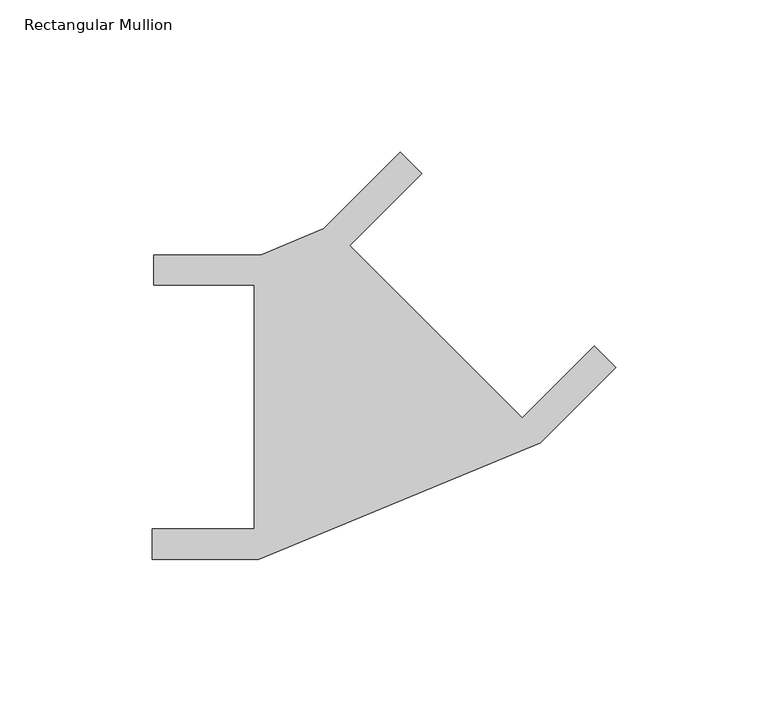
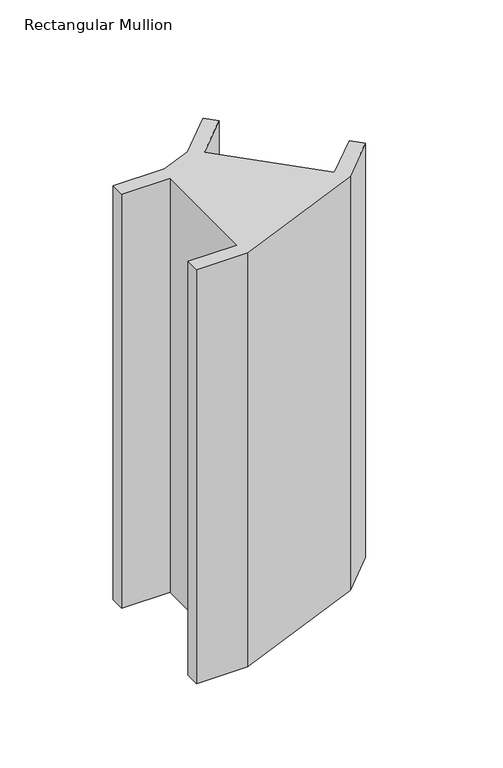
"""IFC4 building model written with IfcOpenShell, lengths in millimetres: member geometry, Rectangular Mullion."""

import ifcopenshell
import ifcopenshell.guid

model = None  # the IFC model being written
_history = None  # IfcOwnerHistory: only IFC2X3 demands one
_inside = {}  # id of a spatial element -> (the spatial element, [elements in it])
_under = {}  # id of a project, library or spatial element -> (it, [spatial elements below it])
_declared = {}  # id of a project -> (the project, [libraries it declares])
_typed = {}  # id of a type object -> (the type object, [elements of that type])
_made_of = {}  # id of a material, layer set ... -> (it, [elements and type objects made of it])


def new_model(schema):
    """Start an empty IFC model of exactly this schema.

    Asked for "IFC4X3", IfcOpenShell would pick the latest addendum, in which some entities
    have other attributes; the version numbers below select the first issue.
    IFC2X3 requires an IfcOwnerHistory on every rooted entity: one is made here for all.
    """
    global model, _history
    if schema == "IFC4X3":
        model = ifcopenshell.file(schema_version=(4, 3, 0, 0))
    else:
        model = ifcopenshell.file(schema=schema)
    _inside.clear()
    _under.clear()
    _declared.clear()
    _typed.clear()
    _made_of.clear()
    _history = None
    if model.schema == "IFC2X3":
        org = make("IfcOrganization", Name="unknown")
        user = make(
            "IfcPersonAndOrganization",
            ThePerson=make("IfcPerson", FamilyName="unknown"),
            TheOrganization=org,
        )
        app = make(
            "IfcApplication",
            ApplicationDeveloper=org,
            Version="unknown",
            ApplicationFullName="unknown",
            ApplicationIdentifier="unknown",
        )
        _history = make(
            "IfcOwnerHistory",
            OwningUser=user,
            OwningApplication=app,
            ChangeAction="ADDED",
            CreationDate=0,
        )
    return model


def make(cls, **values):
    """One entity of the class cls with the attributes given. An attribute that is None is left unset."""
    return model.create_entity(
        cls, **{name: value for name, value in values.items() if value is not None}
    )


def rooted(cls, **values):
    """An entity with a GlobalId (a new one), such as an element, a storey or a relation."""
    return make(cls, GlobalId=ifcopenshell.guid.new(), OwnerHistory=_history, **values)


def si_unit(unit_type, name, prefix=None):
    """IfcSIUnit, for example si_unit("LENGTHUNIT", "METRE", prefix="MILLI")."""
    return make("IfcSIUnit", UnitType=unit_type, Prefix=prefix, Name=name)


def assignment(units):
    """IfcUnitAssignment: the units of a project."""
    return None if units is None else make("IfcUnitAssignment", Units=units)


def point(xyz):
    """IfcCartesianPoint."""
    return None if xyz is None else make("IfcCartesianPoint", Coordinates=xyz)


def direction(xyz):
    """IfcDirection."""
    return None if xyz is None else make("IfcDirection", DirectionRatios=xyz)


def frame(location, z_axis=None, x_axis=None):
    """IfcAxis2Placement3D, a coordinate frame: its origin and axes. An axis left out is left unset."""
    return make(
        "IfcAxis2Placement3D",
        Location=point(location),
        Axis=direction(z_axis),
        RefDirection=direction(x_axis),
    )


def origin():
    """The frame at (0, 0, 0) with its axes left unset."""
    return frame((0.0, 0.0, 0.0))


def place(relative_to, where):
    """IfcLocalPlacement: puts the frame where relative to a parent placement (None: the world)."""
    return make(
        "IfcLocalPlacement", PlacementRelTo=relative_to, RelativePlacement=where
    )


def context(
    kind, dimensions, precision=None, world=None, true_north=None, identifier=None
):
    """IfcGeometricRepresentationContext, for example the 3D "Model" context."""
    return make(
        "IfcGeometricRepresentationContext",
        ContextIdentifier=identifier,
        ContextType=kind,
        CoordinateSpaceDimension=dimensions,
        Precision=precision,
        WorldCoordinateSystem=world,
        TrueNorth=true_north,
    )


def project(units=None, contexts=None):
    """IfcProject with its units and contexts."""
    return rooted(
        "IfcProject",
        Name="project",
        RepresentationContexts=contexts,
        UnitsInContext=assignment(units),
    )


def spatial(cls, under=None, at=None, **own):
    """A site, building, storey or space (cls), placed at a placement, below another one or the project."""
    s = rooted(cls, ObjectPlacement=at, **own)
    if under is not None:
        _under.setdefault(under.id(), (under, []))[1].append(s)
    return s


def polyline(points):
    """IfcPolyline through the points."""
    return make("IfcPolyline", Points=[point(p) for p in points])


def outline(outer, holes=None, kind="AREA"):
    """IfcArbitraryClosedProfileDef: a profile drawn as a closed curve; with holes, ...WithVoids."""
    if holes is None:
        return make("IfcArbitraryClosedProfileDef", ProfileType=kind, OuterCurve=outer)
    return make(
        "IfcArbitraryProfileDefWithVoids",
        ProfileType=kind,
        OuterCurve=outer,
        InnerCurves=holes,
    )


def extrude(swept, where, along, depth):
    """IfcExtrudedAreaSolid: the profile swept, set in the frame where, extruded along a direction by depth."""
    return make(
        "IfcExtrudedAreaSolid",
        SweptArea=swept,
        Position=where,
        ExtrudedDirection=direction(along),
        Depth=depth,
    )


def shape(context_of_items, identifier, shape_type, items):
    """IfcShapeRepresentation: the items that make up one representation, for example the "Body"."""
    return make(
        "IfcShapeRepresentation",
        ContextOfItems=context_of_items,
        RepresentationIdentifier=identifier,
        RepresentationType=shape_type,
        Items=items,
    )


def source(mapping_origin, context_of_items, identifier, shape_type, items):
    """IfcRepresentationMap: a shape defined once, which mapped items show again and again."""
    return make(
        "IfcRepresentationMap",
        MappingOrigin=mapping_origin,
        MappedRepresentation=shape(context_of_items, identifier, shape_type, items),
    )


def transform(
    local_origin,
    x_axis=None,
    y_axis=None,
    z_axis=None,
    scale=None,
    scale2=None,
    scale3=None,
    uniform=True,
):
    """IfcCartesianTransformationOperator3D, or its non-uniform kind. x_axis, y_axis, z_axis: its Axis1, 2, 3."""
    if uniform:
        return make(
            "IfcCartesianTransformationOperator3D",
            Axis1=direction(x_axis),
            Axis2=direction(y_axis),
            LocalOrigin=point(local_origin),
            Scale=scale,
            Axis3=direction(z_axis),
        )
    return make(
        "IfcCartesianTransformationOperator3DnonUniform",
        Axis1=direction(x_axis),
        Axis2=direction(y_axis),
        LocalOrigin=point(local_origin),
        Scale=scale,
        Axis3=direction(z_axis),
        Scale2=scale2,
        Scale3=scale3,
    )


def mapped(mapping_source, mapping_target):
    """IfcMappedItem: shows the shape of a source again, moved by a transform."""
    return make(
        "IfcMappedItem", MappingSource=mapping_source, MappingTarget=mapping_target
    )


def made_of(thing, what):
    """Note that an element or type object is made of a material, layer set ...; save() writes the relation."""
    if what is not None:
        _made_of.setdefault(what.id(), (what, []))[1].append(thing)
    return thing


def element(
    cls,
    number,
    at=None,
    inside=None,
    cuts=None,
    type_object=None,
    material=None,
    context=None,
    identifier="Body",
    shape_type=None,
    held_by="IfcProductDefinitionShape",
    body=None,
    shapes=None,
    **own,
):
    """One element of the class cls, such as IfcWall. Its Tag is "e" and its number.

    at: its placement. inside: the storey or other place that contains it. cuts: it is an
    opening in that element (IfcRelVoidsElement). A single representation is given by context,
    identifier, shape_type and body (its items); several are given by shapes. held_by: the class
    of the entity that holds the representations. save() writes the other relations.
    """
    e = rooted(cls, Tag="e%d" % number, ObjectPlacement=at, **own)
    if body is not None:
        shapes = [shape(context, identifier, shape_type, body)]
    if shapes is not None:
        e.Representation = make(held_by, Representations=shapes)
    if inside is not None:
        _inside.setdefault(inside.id(), (inside, []))[1].append(e)
    if cuts is not None:
        rooted(
            "IfcRelVoidsElement", RelatingBuildingElement=cuts, RelatedOpeningElement=e
        )
    if type_object is not None:
        _typed.setdefault(type_object.id(), (type_object, []))[1].append(e)
    return made_of(e, material)


def aggregate(whole, parts):
    """IfcRelAggregates: a whole, such as a stair, and the parts it consists of."""
    return rooted("IfcRelAggregates", RelatingObject=whole, RelatedObjects=parts)


def save(model, path):
    """Write the relations noted so far, then the file.

    IfcRelAggregates (storeys below a building ...), IfcRelContainedInSpatialStructure (elements
    in a storey), IfcRelDefinesByType, IfcRelAssociatesMaterial and IfcRelDeclares: one each for
    every whole, place, type object, material and project.
    """
    for whole, parts in _under.values():
        aggregate(whole, parts)
    for where, things in _inside.values():
        rooted(
            "IfcRelContainedInSpatialStructure",
            RelatedElements=things,
            RelatingStructure=where,
        )
    for kind, things in _typed.values():
        rooted("IfcRelDefinesByType", RelatedObjects=things, RelatingType=kind)
    for what, things in _made_of.values():
        rooted("IfcRelAssociatesMaterial", RelatedObjects=things, RelatingMaterial=what)
    for by, libraries in _declared.values():
        rooted("IfcRelDeclares", RelatingContext=by, RelatedDefinitions=libraries)
    model.write(path)


def rectangular_mullion_82e732c1(model_context):
    return source(origin(), model_context, "Body", "SweptSolid", [
        extrude(outline(polyline([(-33.0, 50.0), (2.0, 50.0), (22.7696003, 58.6030501), (47.8943088, 83.7277587), (54.9653767, 76.6566909), (31.2772995, 52.9686137), (87.845842, -3.5999288), (111.5339191, 20.0881484), (118.604987, 13.0170806), (93.8562496, -11.7316568), (1.4682964, -50.0), (-33.5317036, -50.0), (-33.5317036, -40.0), (0.0, -40.0), (0.0, 40.0), (-33.0, 40.0), (-33.0, 50.0)])), frame((0.0, 0.0, -300.0), z_axis=(0.0, 0.0, 1.0), x_axis=(1.0, 0.0, 0.0)), (0.0, 0.0, 1.0), 300.0),
    ])


if __name__ == "__main__":
    model = new_model("IFC4")
    model_context = context("Model", 3, world=origin())
    ifc_project = project(units=[si_unit("LENGTHUNIT", "METRE", prefix="MILLI")], contexts=[model_context])
    site = spatial("IfcSite", under=ifc_project)
    building = spatial("IfcBuilding", under=site)
    placement = place(None, origin())
    rectangular_mullion_shape = rectangular_mullion_82e732c1(model_context)
    element("IfcMember", 1, ObjectType="Rectangular Mullion", at=placement, inside=building, context=model_context, shape_type="MappedRepresentation", body=[
        mapped(rectangular_mullion_shape, transform((0.0, 0.0, 0.0), x_axis=(1.0, 0.0, 0.0), y_axis=(0.0, 1.0, 0.0), z_axis=(0.0, 0.0, 1.0))),
    ])
    save(model, "model.ifc")
